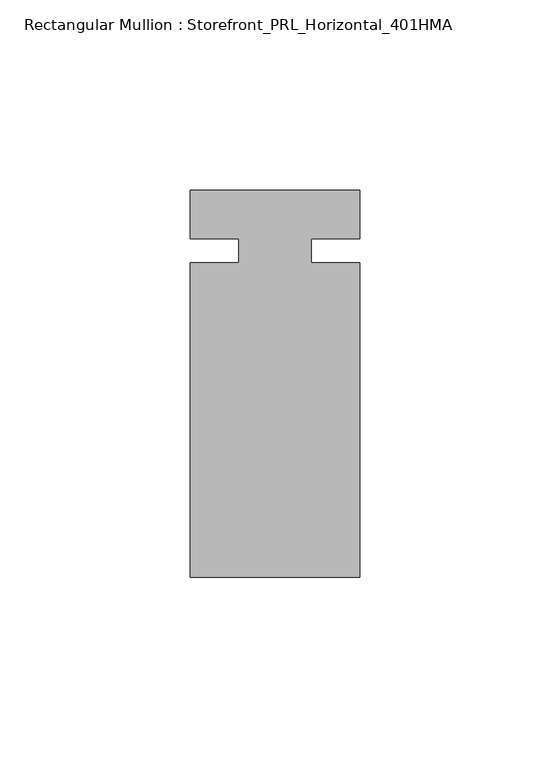
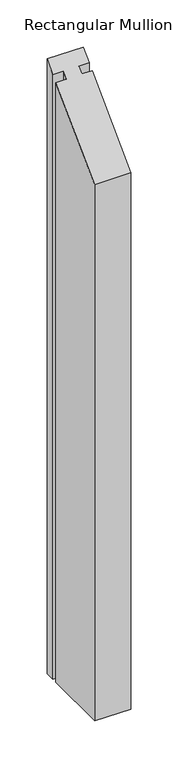
"""IFC4 building model written with IfcOpenShell, lengths in millimetres: member geometry, Rectangular Mullion : Storefront_PRL_Horizontal_401HMA."""

from ifc_helpers import new_model, si_unit, origin, place, context, project, spatial, faceted_brep, source, transform, mapped, element, save


def rectangular_mullion_storefront_prl_horizontal_401hma_77dd1a3b(model_context):
    return source(origin(), model_context, "Body", "Brep", [
        faceted_brep([(-9.525, -3.175, -782.1083333), (-9.525, 3.175, -782.1083333), (-22.225, 3.175, -782.1083333), (-22.225, 15.875, -782.1083333), (22.225, 15.875, -782.1083333), (22.225, 3.175, -782.1083333), (9.525, 3.175, -782.1083333), (9.525, -3.175, -782.1083333), (22.225, -3.175, -782.1083333), (22.225, -85.725, -782.1083333), (-22.225, -85.725, -782.1083333), (-22.225, -3.175, -782.1083333), (-22.225, -3.175, -3.175), (-9.525, -3.175, -3.175), (-22.225, -85.725, -85.725), (22.225, -85.725, -85.725), (22.225, -3.175, -3.175), (9.525, -3.175, -3.175), (9.525, 3.175, 3.175), (22.225, 3.175, 3.175), (22.225, 15.875, 15.875), (-22.225, 15.875, 15.875), (-22.225, 3.175, 3.175), (-9.525, 3.175, 3.175)], [[[0, 1, 2, 3, 4, 5, 6, 7, 8, 9, 10, 11]], [[12, 13, 0, 11]], [[14, 12, 11, 10]], [[15, 14, 10, 9]], [[16, 15, 9, 8]], [[17, 16, 8, 7]], [[18, 17, 7, 6]], [[19, 18, 6, 5]], [[20, 19, 5, 4]], [[21, 20, 4, 3]], [[22, 21, 3, 2]], [[23, 22, 2, 1]], [[13, 23, 1, 0]], [[13, 12, 14, 15, 16, 17, 18, 19, 20, 21, 22, 23]]]),
    ])


if __name__ == "__main__":
    model = new_model("IFC4")
    model_context = context("Model", 3, world=origin())
    ifc_project = project(units=[si_unit("LENGTHUNIT", "METRE", prefix="MILLI")], contexts=[model_context])
    site = spatial("IfcSite", under=ifc_project)
    building = spatial("IfcBuilding", under=site)
    placement = place(None, origin())
    rectangular_mullion_storefront_prl_horizontal_401hma_shape = rectangular_mullion_storefront_prl_horizontal_401hma_77dd1a3b(model_context)
    element("IfcMember", 1, ObjectType="Rectangular Mullion : Storefront_PRL_Horizontal_401HMA", at=placement, inside=building, context=model_context, shape_type="MappedRepresentation", body=[
        mapped(rectangular_mullion_storefront_prl_horizontal_401hma_shape, transform((0.0, 0.0, 0.0), x_axis=(1.0, 0.0, 0.0), y_axis=(0.0, 1.0, 0.0), z_axis=(0.0, 0.0, 1.0))),
    ])
    save(model, "model.ifc")
